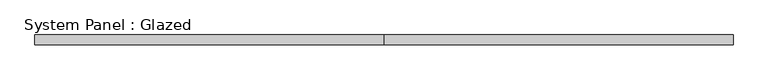
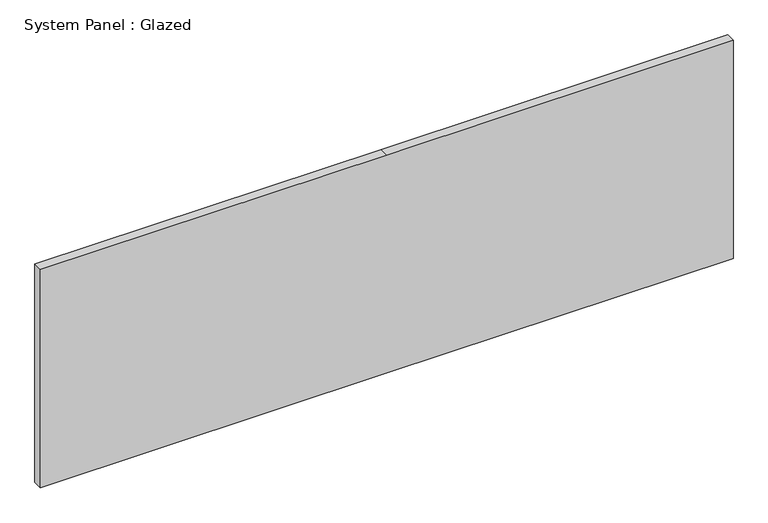
"""IFC4 building model written with IfcOpenShell, lengths in millimetres: plate geometry, System Panel : Glazed."""

from ifc_helpers import new_model, si_unit, frame, origin, place, context, project, spatial, polyline, outline, extrude, source, transform, mapped, element, save


def system_panel_glazed_ef287049(model_context):
    return source(origin(), model_context, "Body", "SweptSolid", [
        extrude(outline(polyline([(0.0, -914.4), (0.0, 0.0), (0.0, 914.4), (609.6, 914.4), (609.6, 0.0), (609.6, -914.4), (0.0, -914.4)])), frame((0.0, 19.05, 0.0), z_axis=(0.0, 1.0, 0.0), x_axis=(0.0, 0.0, 1.0)), (0.0, 0.0, 1.0), 25.4),
    ])


if __name__ == "__main__":
    model = new_model("IFC4")
    model_context = context("Model", 3, world=origin())
    ifc_project = project(units=[si_unit("LENGTHUNIT", "METRE", prefix="MILLI")], contexts=[model_context])
    site = spatial("IfcSite", under=ifc_project)
    building = spatial("IfcBuilding", under=site)
    placement = place(None, origin())
    system_panel_glazed_shape = system_panel_glazed_ef287049(model_context)
    element("IfcPlate", 1, ObjectType="System Panel : Glazed", at=placement, inside=building, context=model_context, shape_type="MappedRepresentation", body=[
        mapped(system_panel_glazed_shape, transform((0.0, 0.0, 0.0), x_axis=(1.0, 0.0, 0.0), y_axis=(0.0, 1.0, 0.0), z_axis=(0.0, 0.0, 1.0))),
    ])
    save(model, "model.ifc")
